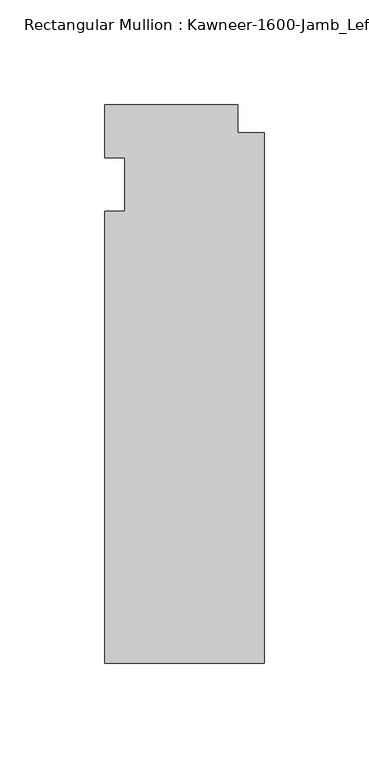
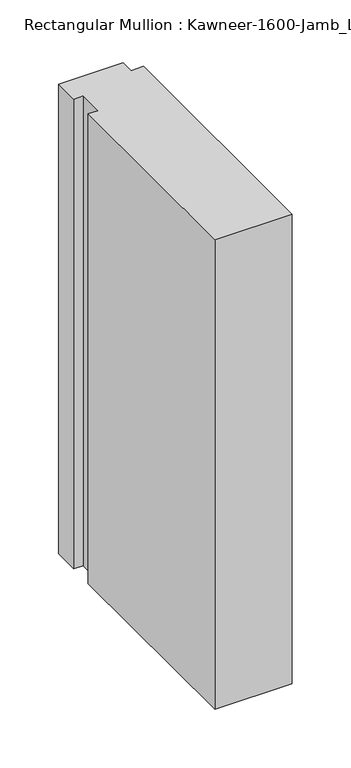
"""IFC4 building model written with IfcOpenShell, lengths in millimetres: member geometry."""

from ifc_helpers import new_model, si_unit, frame, origin, place, context, project, spatial, polyline, outline, extrude, source, transform, mapped, element, save


def member_b0b1fe24(model_context):
    return source(origin(), model_context, "Body", "SweptSolid", [
        extrude(outline(polyline([(-76.2, -12.7), (-66.675, -12.7), (-66.675, 12.7), (-76.2, 12.7), (-76.2, 38.1), (-12.7, 38.1), (-12.7, 24.60625), (0.0, 24.60625), (0.0, -228.6), (-76.2, -228.6), (-76.2, -12.7)])), frame((0.0, 0.0, -488.95), z_axis=(0.0, 0.0, 1.0), x_axis=(1.0, 0.0, 0.0)), (0.0, 0.0, 1.0), 488.95),
    ])


if __name__ == "__main__":
    model = new_model("IFC4")
    model_context = context("Model", 3, world=origin())
    ifc_project = project(units=[si_unit("LENGTHUNIT", "METRE", prefix="MILLI")], contexts=[model_context])
    site = spatial("IfcSite", under=ifc_project)
    building = spatial("IfcBuilding", under=site)
    placement = place(None, origin())
    member_shape = member_b0b1fe24(model_context)
    element("IfcMember", 1, ObjectType="Rectangular Mullion : Kawneer-1600-Jamb_Left-System1-10_1/2\"-1\"Infill", at=placement, inside=building, context=model_context, shape_type="MappedRepresentation", body=[
        mapped(member_shape, transform((0.0, 0.0, 0.0), x_axis=(1.0, 0.0, 0.0), y_axis=(0.0, 1.0, 0.0), z_axis=(0.0, 0.0, 1.0))),
    ])
    save(model, "model.ifc")
